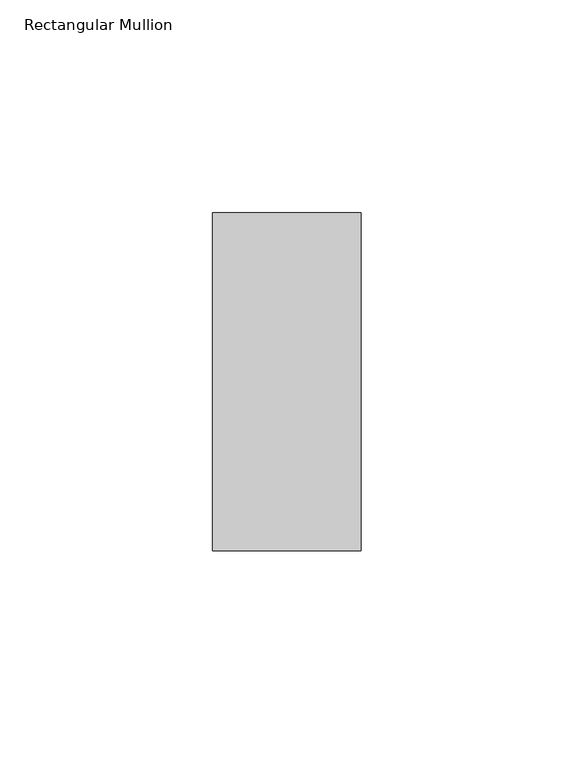
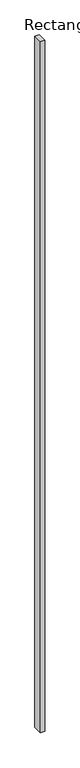
"""IFC4 building model written with IfcOpenShell, lengths in millimetres: member geometry, Rectangular Mullion."""

from ifc_helpers import new_model, si_unit, frame, origin, place, context, project, spatial, polyline, outline, extrude, source, transform, mapped, element, save


def rectangular_mullion_a1a8f81c(model_context):
    return source(origin(), model_context, "Body", "SweptSolid", [
        extrude(outline(polyline([(0.0, 34.925), (0.0, -44.45), (-34.925, -44.45), (-34.925, 34.925), (0.0, 34.925)])), frame((0.0, 0.0, -6096.0), z_axis=(0.0, 0.0, 1.0), x_axis=(1.0, 0.0, 0.0)), (0.0, 0.0, 1.0), 6096.0),
    ])


if __name__ == "__main__":
    model = new_model("IFC4")
    model_context = context("Model", 3, world=origin())
    ifc_project = project(units=[si_unit("LENGTHUNIT", "METRE", prefix="MILLI")], contexts=[model_context])
    site = spatial("IfcSite", under=ifc_project)
    building = spatial("IfcBuilding", under=site)
    placement = place(None, origin())
    rectangular_mullion_shape = rectangular_mullion_a1a8f81c(model_context)
    element("IfcMember", 1, ObjectType="Rectangular Mullion", at=placement, inside=building, context=model_context, shape_type="MappedRepresentation", body=[
        mapped(rectangular_mullion_shape, transform((0.0, 0.0, 0.0), x_axis=(1.0, 0.0, 0.0), y_axis=(0.0, 1.0, 0.0), z_axis=(0.0, 0.0, 1.0))),
    ])
    save(model, "model.ifc")
